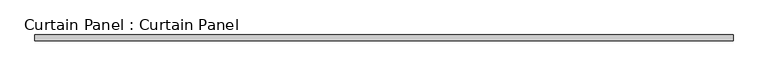
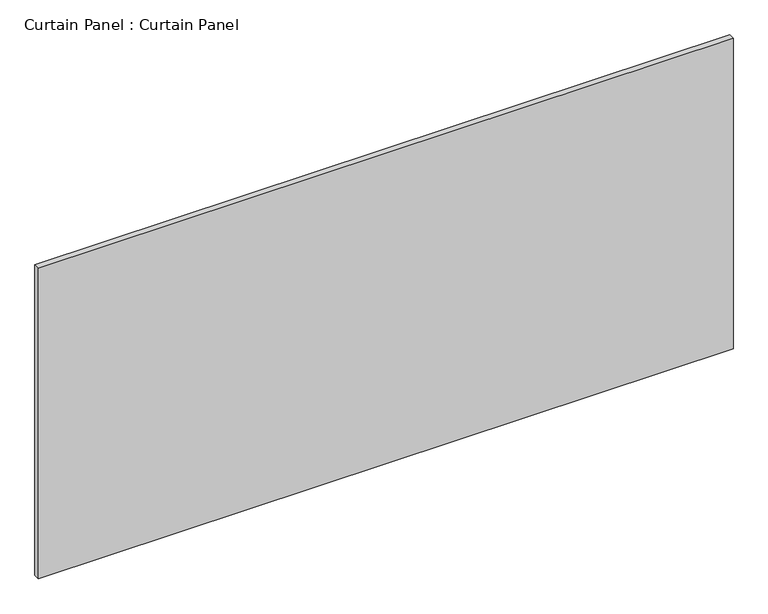
"""IFC4 building model written with IfcOpenShell, lengths in millimetres: plate geometry, Curtain Panel : Curtain Panel."""

from ifc_helpers import new_model, si_unit, frame, origin, place, context, project, spatial, polyline, outline, extrude, source, transform, mapped, element, save


def curtain_panel_curtain_panel_3fb5964d(model_context):
    return source(origin(), model_context, "Body", "SweptSolid", [
        extrude(outline(polyline([(-117656.3555895, -9130.4431787), (-120669.4305895, -9130.4431787), (-120669.4305895, -9105.0431787), (-117656.3555895, -9105.0431787), (-117656.3555895, -9130.4431787)])), frame((0.0, 0.0, 132.953125), z_axis=(0.0, 0.0, 1.0), x_axis=(1.0, 0.0, 0.0)), (0.0, 0.0, 1.0), 1422.4),
    ])


if __name__ == "__main__":
    model = new_model("IFC4")
    model_context = context("Model", 3, world=origin())
    ifc_project = project(units=[si_unit("LENGTHUNIT", "METRE", prefix="MILLI")], contexts=[model_context])
    site = spatial("IfcSite", under=ifc_project)
    building = spatial("IfcBuilding", under=site)
    placement = place(None, origin())
    curtain_panel_curtain_panel_shape = curtain_panel_curtain_panel_3fb5964d(model_context)
    element("IfcPlate", 1, ObjectType="Curtain Panel : Curtain Panel", at=placement, inside=building, context=model_context, shape_type="MappedRepresentation", body=[
        mapped(curtain_panel_curtain_panel_shape, transform((0.0, 0.0, 0.0), x_axis=(1.0, 0.0, 0.0), y_axis=(0.0, 1.0, 0.0), z_axis=(0.0, 0.0, 1.0))),
    ])
    save(model, "model.ifc")
